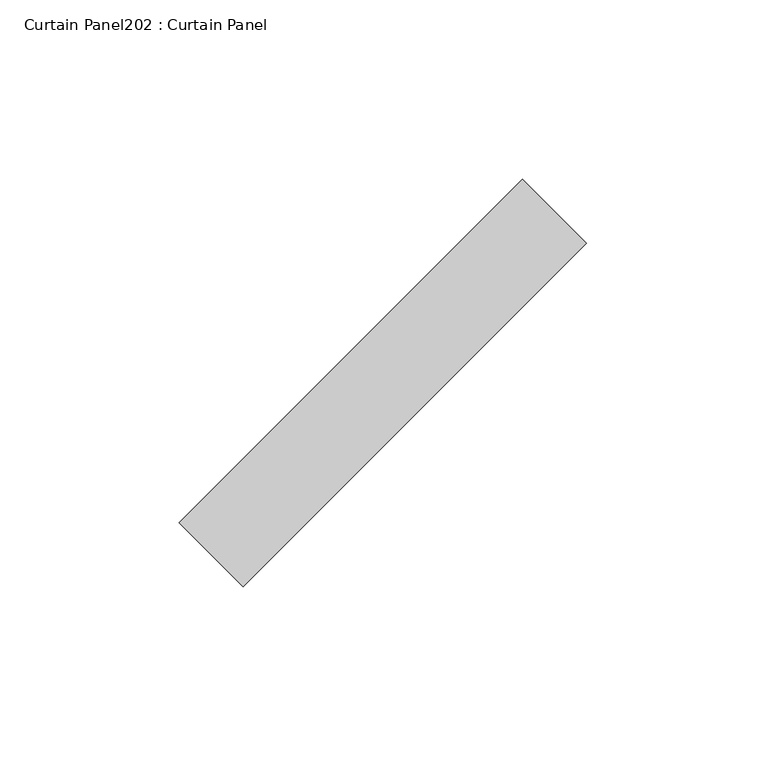
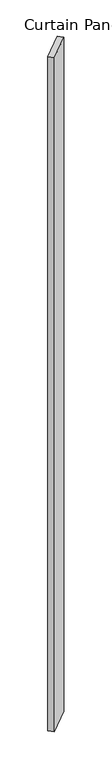
"""IFC4 building model written with IfcOpenShell, lengths in millimetres: plate geometry, Curtain Panel202 : Curtain Panel."""

from ifc_helpers import new_model, si_unit, frame, origin, place, context, project, spatial, polyline, outline, extrude, source, transform, mapped, element, save


def curtain_panel202_curtain_panel_147c206b(model_context):
    return source(origin(), model_context, "Body", "SweptSolid", [
        extrude(outline(polyline([(608452.2869028, 2836.9180301), (608548.152278, 2932.7834053), (608566.1127902, 2914.822893), (608470.247415, 2818.9575178), (608452.2869028, 2836.9180301)])), frame((0.0, 0.0, 4959.7989371), z_axis=(0.0, 0.0, 1.0), x_axis=(1.0, 0.0, 0.0)), (0.0, 0.0, 1.0), 3048.0),
    ])


if __name__ == "__main__":
    model = new_model("IFC4")
    model_context = context("Model", 3, world=origin())
    ifc_project = project(units=[si_unit("LENGTHUNIT", "METRE", prefix="MILLI")], contexts=[model_context])
    site = spatial("IfcSite", under=ifc_project)
    building = spatial("IfcBuilding", under=site)
    placement = place(None, origin())
    curtain_panel202_curtain_panel_shape = curtain_panel202_curtain_panel_147c206b(model_context)
    element("IfcPlate", 1, ObjectType="Curtain Panel202 : Curtain Panel", at=placement, inside=building, context=model_context, shape_type="MappedRepresentation", body=[
        mapped(curtain_panel202_curtain_panel_shape, transform((0.0, 0.0, 0.0), x_axis=(1.0, 0.0, 0.0), y_axis=(0.0, 1.0, 0.0), z_axis=(0.0, 0.0, 1.0))),
    ])
    save(model, "model.ifc")
